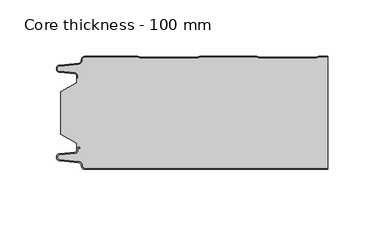
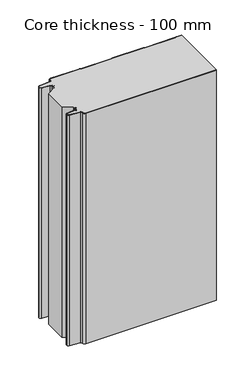
"""IFC4 building model written with IfcOpenShell, lengths in millimetres: plate geometry, Core thickness - 100 mm."""

from ifc_helpers import new_model, si_unit, frame, origin, place, context, project, spatial, polyline, circle_curve, source, transform, mapped, element, save
from ifc_brep_helpers import plane_surface, cylinder_surface, revolved_surface, advanced_brep


def core_thickness_100_mm_2e3aa029(model_context):
    return source(origin(), model_context, "Body", "AdvancedBrep", [
        advanced_brep(
        [(-94.8000003, -99.9996949, 0.0), (-97.9923632, -96.5787437, 0.0), (-100.2560431, -93.9171154, 0.0), (-117.2115315, -92.2546153, 0.0), (-119.9999998, -89.1776715, 0.0), (-117.2115315, -86.1007278, 0.0), (-103.6195785, -84.7680252, 0.0), (-101.9952277, -82.9766159, 0.0), (-101.9952277, -81.8996949, 0.0), (-100.5952277, -80.4996949, 0.0), (-99.4952277, -80.4996949, 0.0), (-99.4952277, -81.2996949, 0.0), (-100.5952277, -81.2996949, 0.0), (-101.1952277, -81.8996949, 0.0), (-101.1952277, -82.9766159, 0.0), (-103.5415122, -85.5642071, 0.0), (-117.1334652, -86.8969097, 0.0), (-119.1999997, -89.1776715, 0.0), (-117.1334652, -91.4584333, 0.0), (-100.1779767, -93.1209335, 0.0), (-97.2078761, -96.6330399, 0.0), (-94.8000003, -99.1996949, 0.0), (119.9999998, -99.2, 0.0), (119.9999998, -99.9996949, 0.0), (-94.8000003, -99.1996949, 400.0), (-97.1942724, -96.6339815, 400.0), (-100.1779767, -93.1209335, 400.0), (-117.1334652, -91.4584333, 400.0), (-119.1999997, -89.1776715, 400.0), (-117.1334652, -86.8969097, 400.0), (-103.5415122, -85.5642071, 400.0), (-101.1952277, -82.9766159, 400.0), (-101.1952277, -81.8996949, 400.0), (-100.5952277, -81.2996949, 400.0), (-99.4952277, -81.2996949, 400.0), (-99.4952277, -80.4996949, 400.0), (-100.5952277, -80.4996949, 400.0), (-101.9952277, -81.8996949, 400.0), (-101.9952277, -82.9766159, 400.0), (-103.6195785, -84.7680252, 400.0), (-117.2115315, -86.1007278, 400.0), (-119.9999998, -89.1776715, 400.0), (-117.2115315, -92.2546153, 400.0), (-100.2560431, -93.9171154, 400.0), (-98.0059668, -96.5778021, 400.0), (-94.8000003, -99.9996949, 400.0), (119.9999998, -99.9996949, 400.0), (119.9999998, -99.2, 400.0)],
        [
            (0, 1, circle_curve(frame((-94.8000003, -96.7996949, 0.0), z_axis=(0.0, 0.0, -1.0), x_axis=(1.0, 0.0, 0.0)), 3.2)),
            (1, 2, circle_curve(frame((-100.5000003, -96.4051839, 0.0), z_axis=(0.0, 0.0, 1.0), x_axis=(1.0, 0.0, 0.0)), 2.5)),
            (2, 3),
            (3, 4, circle_curve(frame((-116.9100003, -89.1793626, 0.0), z_axis=(0.0, 0.0, -1.0), x_axis=(1.0, 0.0, 0.0)), 3.09)),
            (4, 5, circle_curve(frame((-116.9100003, -89.1759805, 0.0), z_axis=(0.0, 0.0, -1.0), x_axis=(1.0, 0.0, 0.0)), 3.09)),
            (5, 6),
            (6, 7, circle_curve(frame((-103.7952277, -82.9766159, 0.0), z_axis=(0.0, 0.0, 1.0), x_axis=(1.0, 0.0, 0.0)), 1.8)),
            (7, 8),
            (8, 9, circle_curve(frame((-100.5952277, -81.8996949, 0.0), z_axis=(0.0, 0.0, -1.0), x_axis=(1.0, 0.0, 0.0)), 1.4)),
            (9, 10),
            (10, 11),
            (11, 12),
            (12, 13, circle_curve(frame((-100.5952277, -81.8996949, 0.0), z_axis=(0.0, 0.0, 1.0), x_axis=(1.0, 0.0, 0.0)), 0.6)),
            (13, 14),
            (14, 15, circle_curve(frame((-103.7952277, -82.9766159, 0.0), z_axis=(0.0, 0.0, -1.0), x_axis=(1.0, 0.0, 0.0)), 2.6)),
            (15, 16),
            (16, 17, circle_curve(frame((-116.9100003, -89.1759805, 0.0), z_axis=(0.0, 0.0, 1.0), x_axis=(1.0, 0.0, 0.0)), 2.29)),
            (17, 18, circle_curve(frame((-116.9100003, -89.1793626, 0.0), z_axis=(0.0, 0.0, 1.0), x_axis=(1.0, 0.0, 0.0)), 2.29)),
            (18, 19),
            (19, 20, circle_curve(frame((-100.5000003, -96.4051839, 0.0), z_axis=(0.0, 0.0, -1.0), x_axis=(1.0, 0.0, 0.0)), 3.3)),
            (20, 21, circle_curve(frame((-94.8000003, -96.7996949, 0.0), z_axis=(0.0, 0.0, 1.0), x_axis=(1.0, 0.0, 0.0)), 2.4)),
            (21, 22),
            (22, 23),
            (23, 0),
            (24, 25, circle_curve(frame((-94.8000003, -96.7996949, 400.0), z_axis=(0.0, 0.0, -1.0), x_axis=(1.0, 0.0, 0.0)), 2.4)),
            (25, 26, circle_curve(frame((-100.5000003, -96.4051839, 400.0), z_axis=(0.0, 0.0, 1.0), x_axis=(1.0, 0.0, 0.0)), 3.3)),
            (26, 27),
            (27, 28, circle_curve(frame((-116.9100003, -89.1793626, 400.0), z_axis=(0.0, 0.0, -1.0), x_axis=(1.0, 0.0, 0.0)), 2.29)),
            (28, 29, circle_curve(frame((-116.9100003, -89.1759805, 400.0), z_axis=(0.0, 0.0, -1.0), x_axis=(1.0, 0.0, 0.0)), 2.29)),
            (29, 30),
            (30, 31, circle_curve(frame((-103.7952277, -82.9766159, 400.0), z_axis=(0.0, 0.0, 1.0), x_axis=(1.0, 0.0, 0.0)), 2.6)),
            (31, 32),
            (32, 33, circle_curve(frame((-100.5952277, -81.8996949, 400.0), z_axis=(0.0, 0.0, -1.0), x_axis=(1.0, 0.0, 0.0)), 0.6)),
            (33, 34),
            (34, 35),
            (35, 36),
            (36, 37, circle_curve(frame((-100.5952277, -81.8996949, 400.0), z_axis=(0.0, 0.0, 1.0), x_axis=(1.0, 0.0, 0.0)), 1.4)),
            (37, 38),
            (38, 39, circle_curve(frame((-103.7952277, -82.9766159, 400.0), z_axis=(0.0, 0.0, -1.0), x_axis=(1.0, 0.0, 0.0)), 1.8)),
            (39, 40),
            (40, 41, circle_curve(frame((-116.9100003, -89.1759805, 400.0), z_axis=(0.0, 0.0, 1.0), x_axis=(1.0, 0.0, 0.0)), 3.09)),
            (41, 42, circle_curve(frame((-116.9100003, -89.1793626, 400.0), z_axis=(0.0, 0.0, 1.0), x_axis=(1.0, 0.0, 0.0)), 3.09)),
            (42, 43),
            (43, 44, circle_curve(frame((-100.5000003, -96.4051839, 400.0), z_axis=(0.0, 0.0, -1.0), x_axis=(1.0, 0.0, 0.0)), 2.5)),
            (44, 45, circle_curve(frame((-94.8000003, -96.7996949, 400.0), z_axis=(0.0, 0.0, 1.0), x_axis=(1.0, 0.0, 0.0)), 3.2)),
            (45, 46),
            (46, 47),
            (47, 24),
            (21, 24),
            (47, 22),
            (20, 25),
            (19, 26),
            (18, 27),
            (17, 28),
            (16, 29),
            (15, 30),
            (14, 31),
            (13, 32),
            (12, 33),
            (11, 34),
            (10, 35),
            (9, 36),
            (8, 37),
            (7, 38),
            (6, 39),
            (5, 40),
            (4, 41),
            (3, 42),
            (2, 43),
            (1, 44),
            (0, 45),
            (23, 46),
        ],
        [
            plane_surface(frame((-119.9999998, -100.0, 0.0), z_axis=(0.0, 0.0, -1.0), x_axis=(0.0, 1.0, 0.0))),
            plane_surface(frame((-119.9999998, -100.0, 400.0), z_axis=(0.0, 0.0, 1.0), x_axis=(0.0, 1.0, 0.0))),
            plane_surface(frame((-94.8000003, -99.2, 0.0), z_axis=(0.0, 1.0, 0.0), x_axis=(0.0, 0.0, 1.0))),
            revolved_surface(polyline([(-92.40000029999999, -96.7996949, 400.0), (-92.40000029999999, -96.7996949, 0.0)]), (-94.8000003, -96.7996949, 0.0), (0.0, 0.0, 1.0)),
            cylinder_surface(frame((-100.5000003, -96.4051839, 0.0), z_axis=(0.0, 0.0, -1.0), x_axis=(1.0, 0.0, 0.0)), 3.3),
            plane_surface(frame((-117.1334652, -91.4584333, 0.0), z_axis=(0.09758289975914758, 0.9952273999818314, 0.0), x_axis=(0.0, 0.0, 1.0))),
            revolved_surface(polyline([(-114.62000029999999, -89.1793626, 400.0), (-114.62000029999999, -89.1793626, 0.0)]), (-116.9100003, -89.1793626, 0.0), (0.0, 0.0, 1.0)),
            revolved_surface(polyline([(-114.62000029999999, -89.1759805, 400.0), (-114.62000029999999, -89.1759805, 0.0)]), (-116.9100003, -89.1759805, 0.0), (0.0, 0.0, 1.0)),
            plane_surface(frame((-103.5415122, -85.5642071, 0.0), z_axis=(0.09758289975914383, -0.9952273999818317, 0.0), x_axis=(0.0, 0.0, 1.0))),
            cylinder_surface(frame((-103.7952277, -82.9766159, 0.0), z_axis=(0.0, 0.0, -1.0), x_axis=(1.0, 0.0, 0.0)), 2.6),
            plane_surface(frame((-101.1952277, -81.8996949, 0.0), z_axis=(1.0, 0.0, 0.0), x_axis=(0.0, 0.0, 1.0))),
            revolved_surface(polyline([(-99.9952277, -81.8996949, 400.0), (-99.9952277, -81.8996949, 0.0)]), (-100.5952277, -81.8996949, 0.0), (0.0, 0.0, 1.0)),
            plane_surface(frame((-99.4952277, -81.2996949, 0.0), z_axis=(0.0, -1.0, 0.0), x_axis=(0.0, 0.0, 1.0))),
            plane_surface(frame((-99.4952277, -80.4996949, 0.0), z_axis=(1.0, 0.0, 0.0), x_axis=(0.0, 0.0, 1.0))),
            plane_surface(frame((-100.5952277, -80.4996949, 0.0), z_axis=(0.0, 1.0, 0.0), x_axis=(0.0, 0.0, 1.0))),
            cylinder_surface(frame((-100.5952277, -81.8996949, 0.0), z_axis=(0.0, 0.0, -1.0), x_axis=(1.0, 0.0, 0.0)), 1.4),
            plane_surface(frame((-101.9952277, -82.9766159, 0.0), z_axis=(-1.0, 0.0, 0.0), x_axis=(0.0, 0.0, 1.0))),
            revolved_surface(polyline([(-101.9952277, -82.9766159, 400.0), (-101.9952277, -82.9766159, 0.0)]), (-103.7952277, -82.9766159, 0.0), (0.0, 0.0, 1.0)),
            plane_surface(frame((-117.2115315, -86.1007278, 0.0), z_axis=(-0.09758289975914387, 0.9952273999818317, 0.0), x_axis=(0.0, 0.0, 1.0))),
            cylinder_surface(frame((-116.9100003, -89.1759805, 0.0), z_axis=(0.0, 0.0, -1.0), x_axis=(1.0, 0.0, 0.0)), 3.09),
            cylinder_surface(frame((-116.9100003, -89.1793626, 0.0), z_axis=(0.0, 0.0, -1.0), x_axis=(1.0, 0.0, 0.0)), 3.09),
            plane_surface(frame((-100.2560431, -93.9171154, 0.0), z_axis=(-0.09758289975914762, -0.9952273999818314, 0.0), x_axis=(0.0, 0.0, 1.0))),
            revolved_surface(polyline([(-98.0000003, -96.4051839, 400.0), (-98.0000003, -96.4051839, 0.0)]), (-100.5000003, -96.4051839, 0.0), (0.0, 0.0, 1.0)),
            cylinder_surface(frame((-94.8000003, -96.7996949, 0.0), z_axis=(0.0, 0.0, -1.0), x_axis=(1.0, 0.0, 0.0)), 3.2),
            plane_surface(frame((896.009932, -99.9996949, 0.0), z_axis=(0.0, -1.0, 0.0), x_axis=(0.0, 0.0, 1.0))),
            plane_surface(frame((119.9999998, 180.0, 400.0), z_axis=(1.0, 0.0, 0.0), x_axis=(0.0, 0.0, -1.0))),
        ],
        [
            (0, [[1, 2, 3, 4, 5, 6, 7, 8, 9, 10, 11, 12, 13, 14, 15, 16, 17, 18, 19, 20, 21, 22, 23, 24]]),
            (1, [[25, 26, 27, 28, 29, 30, 31, 32, 33, 34, 35, 36, 37, 38, 39, 40, 41, 42, 43, 44, 45, 46, 47, 48]]),
            (2, [[49, -48, 50, -22]]),
            (3, [[-21, 51, -25, -49]]),
            (4, [[-20, 52, -26, -51]]),
            (5, [[-19, 53, -27, -52]]),
            (6, [[-18, 54, -28, -53]]),
            (7, [[-17, 55, -29, -54]]),
            (8, [[-16, 56, -30, -55]]),
            (9, [[-15, 57, -31, -56]]),
            (10, [[-14, 58, -32, -57]]),
            (11, [[-13, 59, -33, -58]]),
            (12, [[-12, 60, -34, -59]]),
            (13, [[-11, 61, -35, -60]]),
            (14, [[-10, 62, -36, -61]]),
            (15, [[-9, 63, -37, -62]]),
            (16, [[-8, 64, -38, -63]]),
            (17, [[-7, 65, -39, -64]]),
            (18, [[-6, 66, -40, -65]]),
            (19, [[-5, 67, -41, -66]]),
            (20, [[-4, 68, -42, -67]]),
            (21, [[-3, 69, -43, -68]]),
            (22, [[-2, 70, -44, -69]]),
            (23, [[-1, 71, -45, -70]]),
            (24, [[-71, -24, 72, -46]]),
            (25, [[-23, -50, -47, -72]]),
        ],
    ),
        advanced_brep(
        [(-101.9952277, -23.1062917, 400.0), (-116.0446509, -31.1628062, 400.0), (-116.0446509, -68.7531937, 400.0), (-101.9952277, -76.8937083, 400.0), (-101.9952277, -80.4996949, 400.0), (-101.9952277, -81.8996949, 400.0), (-100.5952277, -80.4996949, 400.0), (-99.4952277, -80.4996949, 400.0), (-99.4952277, -81.2996949, 400.0), (-100.5952277, -81.2996949, 400.0), (-101.1952277, -81.8996949, 400.0), (-101.1952277, -82.9766159, 400.0), (-103.5415122, -85.5642071, 400.0), (-117.1334652, -86.8969097, 400.0), (-119.1999997, -89.1776715, 400.0), (-117.1334652, -91.4584333, 400.0), (-100.1779767, -93.1209335, 400.0), (-97.2078761, -96.6330399, 400.0), (-94.8000003, -99.1996949, 400.0), (119.9999998, -99.2, 400.0), (119.9999998, -0.8, 400.0), (112.3119565, -0.8, 400.0), (111.2605406, -1.0986697, 400.0), (109.8401597, -1.5003051, 400.0), (59.6803765, -1.5003051, 400.0), (58.2609651, -1.0971009, 400.0), (57.2085797, -0.8, 400.0), (7.0487965, -0.8, 400.0), (5.9973806, -1.0986697, 400.0), (4.5769997, -1.5003051, 400.0), (-45.5827835, -1.5003051, 400.0), (-47.0021949, -1.0971009, 400.0), (-48.0545803, -0.8, 400.0), (-94.8000003, -0.8, 400.0), (-97.1942724, -3.3660185, 400.0), (-100.1779767, -6.8790665, 400.0), (-117.1334652, -8.5415667, 400.0), (-119.1999997, -10.8223285, 400.0), (-117.1334652, -13.1030903, 400.0), (-103.5415122, -14.4357929, 400.0), (-101.1952277, -17.0233841, 400.0), (-101.1952277, -18.1003051, 400.0), (-100.5952277, -18.7003051, 400.0), (-99.4952277, -18.7003051, 400.0), (-99.4952277, -19.5003051, 400.0), (-100.5952277, -19.5003051, 400.0), (-101.9952277, -18.1003051, 400.0), (-101.9952277, -19.5003051, 400.0), (-101.9952277, -76.8937083, 0.0), (-116.0446509, -68.7531937, 0.0), (-116.0446509, -31.1628062, 0.0), (-101.9952277, -23.1062917, 0.0), (-101.9952277, -19.5003051, 0.0), (-101.9952277, -18.1003051, 0.0), (-100.5952277, -19.5003051, 0.0), (-99.4952277, -19.5003051, 0.0), (-99.4952277, -18.7003051, 0.0), (-100.5952277, -18.7003051, 0.0), (-101.1952277, -18.1003051, 0.0), (-101.1952277, -17.0233841, 0.0), (-103.5415122, -14.4357929, 0.0), (-117.1334652, -13.1030903, 0.0), (-119.1999997, -10.8223285, 0.0), (-117.1334652, -8.5415667, 0.0), (-100.1779767, -6.8790665, 0.0), (-97.2078761, -3.3669601, 0.0), (-94.8000003, -0.8003051, 0.0), (-48.0545803, -0.8, 0.0), (-47.0031645, -1.0986697, 0.0), (-45.5827835, -1.5003051, 0.0), (4.5769997, -1.5003051, 0.0), (5.9964111, -1.0971009, 0.0), (7.0487965, -0.8, 0.0), (57.2085797, -0.8, 0.0), (58.2599955, -1.0986697, 0.0), (59.6803765, -1.5003051, 0.0), (109.8401597, -1.5003051, 0.0), (111.2595711, -1.0971009, 0.0), (112.3119565, -0.8, 0.0), (119.9999998, -0.8, 0.0), (119.9999998, -99.2, 0.0), (-94.8000003, -99.2, 0.0), (-97.1942724, -96.6339815, 0.0), (-100.1779767, -93.1209335, 0.0), (-117.1334652, -91.4584333, 0.0), (-119.1999997, -89.1776715, 0.0), (-117.1334652, -86.8969097, 0.0), (-103.5415122, -85.5642071, 0.0), (-101.1952277, -82.9766159, 0.0), (-101.1952277, -81.8996949, 0.0), (-100.5952277, -81.2996949, 0.0), (-99.4952277, -81.2996949, 0.0), (-99.4952277, -80.4996949, 0.0), (-100.5952277, -80.4996949, 0.0), (-101.9952277, -81.8996949, 0.0), (-101.9952277, -80.4996949, 0.0)],
        [
            (0, 1),
            (1, 2),
            (2, 3),
            (3, 4),
            (4, 5),
            (5, 6, circle_curve(frame((-100.5952277, -81.8996949, 400.0), z_axis=(0.0, 0.0, -1.0), x_axis=(1.0, 0.0, 0.0)), 1.4)),
            (6, 7),
            (7, 8),
            (8, 9),
            (9, 10, circle_curve(frame((-100.5952277, -81.8996949, 400.0), z_axis=(0.0, 0.0, 1.0), x_axis=(1.0, 0.0, 0.0)), 0.6)),
            (10, 11),
            (11, 12, circle_curve(frame((-103.7952277, -82.9766159, 400.0), z_axis=(0.0, 0.0, -1.0), x_axis=(1.0, 0.0, 0.0)), 2.6)),
            (12, 13),
            (13, 14, circle_curve(frame((-116.9100003, -89.1759805, 400.0), z_axis=(0.0, 0.0, 1.0), x_axis=(1.0, 0.0, 0.0)), 2.29)),
            (14, 15, circle_curve(frame((-116.9100003, -89.1793626, 400.0), z_axis=(0.0, 0.0, 1.0), x_axis=(1.0, 0.0, 0.0)), 2.29)),
            (15, 16),
            (16, 17, circle_curve(frame((-100.5000003, -96.4051839, 400.0), z_axis=(0.0, 0.0, -1.0), x_axis=(1.0, 0.0, 0.0)), 3.3)),
            (17, 18, circle_curve(frame((-94.8000003, -96.7996949, 400.0), z_axis=(0.0, 0.0, 1.0), x_axis=(1.0, 0.0, 0.0)), 2.4)),
            (18, 19),
            (19, 20),
            (20, 21),
            (21, 22, circle_curve(frame((112.3119565, -2.8, 400.0), z_axis=(0.0, 0.0, 1.0), x_axis=(1.0, 0.0, 0.0)), 2.0)),
            (22, 23, circle_curve(frame((109.8401597, 1.1996949, 400.0), z_axis=(0.0, 0.0, -1.0), x_axis=(1.0, 0.0, 0.0)), 2.7)),
            (23, 24),
            (24, 25, circle_curve(frame((59.6803765, 1.1996949, 400.0), z_axis=(0.0, 0.0, -1.0), x_axis=(1.0, 0.0, 0.0)), 2.7)),
            (25, 26, circle_curve(frame((57.2085797, -2.8, 400.0), z_axis=(0.0, 0.0, 1.0), x_axis=(1.0, 0.0, 0.0)), 2.0)),
            (26, 27),
            (27, 28, circle_curve(frame((7.0487965, -2.8, 400.0), z_axis=(0.0, 0.0, 1.0), x_axis=(1.0, 0.0, 0.0)), 2.0)),
            (28, 29, circle_curve(frame((4.5769997, 1.1996949, 400.0), z_axis=(0.0, 0.0, -1.0), x_axis=(1.0, 0.0, 0.0)), 2.7)),
            (29, 30),
            (30, 31, circle_curve(frame((-45.5827835, 1.1996949, 400.0), z_axis=(0.0, 0.0, -1.0), x_axis=(1.0, 0.0, 0.0)), 2.7)),
            (31, 32, circle_curve(frame((-48.0545803, -2.8, 400.0), z_axis=(0.0, 0.0, 1.0), x_axis=(1.0, 0.0, 0.0)), 2.0)),
            (32, 33),
            (33, 34, circle_curve(frame((-94.8000003, -3.2003051, 400.0), z_axis=(0.0, 0.0, 1.0), x_axis=(1.0, 0.0, 0.0)), 2.4)),
            (34, 35, circle_curve(frame((-100.5000003, -3.5948161, 400.0), z_axis=(0.0, 0.0, -1.0), x_axis=(1.0, 0.0, 0.0)), 3.3)),
            (35, 36),
            (36, 37, circle_curve(frame((-116.9100003, -10.8206374, 400.0), z_axis=(0.0, 0.0, 1.0), x_axis=(1.0, 0.0, 0.0)), 2.29)),
            (37, 38, circle_curve(frame((-116.9100003, -10.8240195, 400.0), z_axis=(0.0, 0.0, 1.0), x_axis=(1.0, 0.0, 0.0)), 2.29)),
            (38, 39),
            (39, 40, circle_curve(frame((-103.7952277, -17.0233841, 400.0), z_axis=(0.0, 0.0, -1.0), x_axis=(1.0, 0.0, 0.0)), 2.6)),
            (40, 41),
            (41, 42, circle_curve(frame((-100.5952277, -18.1003051, 400.0), z_axis=(0.0, 0.0, 1.0), x_axis=(1.0, 0.0, 0.0)), 0.6)),
            (42, 43),
            (43, 44),
            (44, 45),
            (45, 46, circle_curve(frame((-100.5952277, -18.1003051, 400.0), z_axis=(0.0, 0.0, -1.0), x_axis=(1.0, 0.0, 0.0)), 1.4)),
            (46, 47),
            (47, 0),
            (48, 49),
            (49, 50),
            (50, 51),
            (51, 52),
            (52, 53),
            (53, 54, circle_curve(frame((-100.5952277, -18.1003051, 0.0), z_axis=(0.0, 0.0, 1.0), x_axis=(1.0, 0.0, 0.0)), 1.4)),
            (54, 55),
            (55, 56),
            (56, 57),
            (57, 58, circle_curve(frame((-100.5952277, -18.1003051, 0.0), z_axis=(0.0, 0.0, -1.0), x_axis=(1.0, 0.0, 0.0)), 0.6)),
            (58, 59),
            (59, 60, circle_curve(frame((-103.7952277, -17.0233841, 0.0), z_axis=(0.0, 0.0, 1.0), x_axis=(1.0, 0.0, 0.0)), 2.6)),
            (60, 61),
            (61, 62, circle_curve(frame((-116.9100003, -10.8240195, 0.0), z_axis=(0.0, 0.0, -1.0), x_axis=(1.0, 0.0, 0.0)), 2.29)),
            (62, 63, circle_curve(frame((-116.9100003, -10.8206374, 0.0), z_axis=(0.0, 0.0, -1.0), x_axis=(1.0, 0.0, 0.0)), 2.29)),
            (63, 64),
            (64, 65, circle_curve(frame((-100.5000003, -3.5948161, 0.0), z_axis=(0.0, 0.0, 1.0), x_axis=(1.0, 0.0, 0.0)), 3.3)),
            (65, 66, circle_curve(frame((-94.8000003, -3.2003051, 0.0), z_axis=(0.0, 0.0, -1.0), x_axis=(1.0, 0.0, 0.0)), 2.4)),
            (66, 67),
            (67, 68, circle_curve(frame((-48.0545803, -2.8, 0.0), z_axis=(0.0, 0.0, -1.0), x_axis=(1.0, 0.0, 0.0)), 2.0)),
            (68, 69, circle_curve(frame((-45.5827835, 1.1996949, 0.0), z_axis=(0.0, 0.0, 1.0), x_axis=(1.0, 0.0, 0.0)), 2.7)),
            (69, 70),
            (70, 71, circle_curve(frame((4.5769997, 1.1996949, 0.0), z_axis=(0.0, 0.0, 1.0), x_axis=(1.0, 0.0, 0.0)), 2.7)),
            (71, 72, circle_curve(frame((7.0487965, -2.8, 0.0), z_axis=(0.0, 0.0, -1.0), x_axis=(1.0, 0.0, 0.0)), 2.0)),
            (72, 73),
            (73, 74, circle_curve(frame((57.2085797, -2.8, 0.0), z_axis=(0.0, 0.0, -1.0), x_axis=(1.0, 0.0, 0.0)), 2.0)),
            (74, 75, circle_curve(frame((59.6803765, 1.1996949, 0.0), z_axis=(0.0, 0.0, 1.0), x_axis=(1.0, 0.0, 0.0)), 2.7)),
            (75, 76),
            (76, 77, circle_curve(frame((109.8401597, 1.1996949, 0.0), z_axis=(0.0, 0.0, 1.0), x_axis=(1.0, 0.0, 0.0)), 2.7)),
            (77, 78, circle_curve(frame((112.3119565, -2.8, 0.0), z_axis=(0.0, 0.0, -1.0), x_axis=(1.0, 0.0, 0.0)), 2.0)),
            (78, 79),
            (79, 80),
            (80, 81),
            (81, 82, circle_curve(frame((-94.8000003, -96.7996949, 0.0), z_axis=(0.0, 0.0, -1.0), x_axis=(1.0, 0.0, 0.0)), 2.4)),
            (82, 83, circle_curve(frame((-100.5000003, -96.4051839, 0.0), z_axis=(0.0, 0.0, 1.0), x_axis=(1.0, 0.0, 0.0)), 3.3)),
            (83, 84),
            (84, 85, circle_curve(frame((-116.9100003, -89.1793626, 0.0), z_axis=(0.0, 0.0, -1.0), x_axis=(1.0, 0.0, 0.0)), 2.29)),
            (85, 86, circle_curve(frame((-116.9100003, -89.1759805, 0.0), z_axis=(0.0, 0.0, -1.0), x_axis=(1.0, 0.0, 0.0)), 2.29)),
            (86, 87),
            (87, 88, circle_curve(frame((-103.7952277, -82.9766159, 0.0), z_axis=(0.0, 0.0, 1.0), x_axis=(1.0, 0.0, 0.0)), 2.6)),
            (88, 89),
            (89, 90, circle_curve(frame((-100.5952277, -81.8996949, 0.0), z_axis=(0.0, 0.0, -1.0), x_axis=(1.0, 0.0, 0.0)), 0.6)),
            (90, 91),
            (91, 92),
            (92, 93),
            (93, 94, circle_curve(frame((-100.5952277, -81.8996949, 0.0), z_axis=(0.0, 0.0, 1.0), x_axis=(1.0, 0.0, 0.0)), 1.4)),
            (94, 95),
            (95, 48),
            (51, 0),
            (46, 53),
            (1, 50),
            (49, 2),
            (48, 3),
            (94, 5),
            (18, 81),
            (80, 19),
            (17, 82),
            (16, 83),
            (15, 84),
            (14, 85),
            (13, 86),
            (12, 87),
            (11, 88),
            (10, 89),
            (9, 90),
            (8, 91),
            (7, 92),
            (6, 93),
            (66, 33),
            (32, 67),
            (31, 68),
            (30, 69),
            (29, 70),
            (28, 71),
            (27, 72),
            (26, 73),
            (25, 74),
            (24, 75),
            (23, 76),
            (22, 77),
            (21, 78),
            (20, 79),
            (45, 54),
            (44, 55),
            (43, 56),
            (42, 57),
            (41, 58),
            (40, 59),
            (39, 60),
            (38, 61),
            (37, 62),
            (36, 63),
            (35, 64),
            (34, 65),
        ],
        [
            plane_surface(frame((-119.9999998, 0.0, 400.0), z_axis=(0.0, 0.0, 1.0), x_axis=(0.0, -1.0, 0.0))),
            plane_surface(frame((-119.9999998, 0.0, 0.0), z_axis=(0.0, 0.0, -1.0), x_axis=(0.0, -1.0, 0.0))),
            plane_surface(frame((-101.9952277, -17.0229218, 400.0), z_axis=(-1.0, 0.0, 0.0), x_axis=(0.0, 0.0, -1.0))),
            plane_surface(frame((-116.0446509, -31.1628062, 400.0), z_axis=(-1.0, 0.0, 0.0), x_axis=(0.0, 0.0, -1.0))),
            plane_surface(frame((-101.9952277, -23.1062917, 400.0), z_axis=(-0.4974543664933155, 0.8674901459133322, 0.0), x_axis=(0.0, 0.0, -1.0))),
            plane_surface(frame((-116.0446509, -68.7531937, 400.0), z_axis=(-0.5013424225369604, -0.8652489672717166, 0.0), x_axis=(0.0, 0.0, -1.0))),
            plane_surface(frame((-101.9952277, -76.8937083, 400.0), z_axis=(-1.0, 0.0, 0.0), x_axis=(0.0, 0.0, -1.0))),
            plane_surface(frame((896.009932, -99.2, 530.0), z_axis=(0.0, -1.0, 0.0), x_axis=(0.0, 0.0, -1.0))),
            cylinder_surface(frame((-94.8000003, -96.7996949, 530.0), z_axis=(0.0, 0.0, -1.0), x_axis=(1.0, 0.0, 0.0)), 2.4),
            revolved_surface(polyline([(-97.2000003, -96.4051839, 400.0), (-97.2000003, -96.4051839, 0.0)]), (-100.5000003, -96.4051839, 530.0), (0.0, 0.0, 1.0)),
            plane_surface(frame((-100.1779767, -93.1209335, 530.0), z_axis=(-0.09758289975914758, -0.9952273999818314, 0.0), x_axis=(0.0, 0.0, -1.0))),
            cylinder_surface(frame((-116.9100003, -89.1793626, 530.0), z_axis=(0.0, 0.0, -1.0), x_axis=(1.0, 0.0, 0.0)), 2.29),
            cylinder_surface(frame((-116.9100003, -89.1759805, 530.0), z_axis=(0.0, 0.0, -1.0), x_axis=(1.0, 0.0, 0.0)), 2.29),
            plane_surface(frame((-117.1334652, -86.8969097, 530.0), z_axis=(-0.09758289975914383, 0.9952273999818317, 0.0), x_axis=(0.0, 0.0, -1.0))),
            revolved_surface(polyline([(-101.1952277, -82.9766159, 400.0), (-101.1952277, -82.9766159, 0.0)]), (-103.7952277, -82.9766159, 530.0), (0.0, 0.0, 1.0)),
            plane_surface(frame((-101.1952277, -82.9766159, 530.0), z_axis=(-1.0, 0.0, 0.0), x_axis=(0.0, 0.0, -1.0))),
            cylinder_surface(frame((-100.5952277, -81.8996949, 530.0), z_axis=(0.0, 0.0, -1.0), x_axis=(1.0, 0.0, 0.0)), 0.6),
            plane_surface(frame((-100.5952277, -81.2996949, 530.0), z_axis=(0.0, 1.0, 0.0), x_axis=(0.0, 0.0, -1.0))),
            plane_surface(frame((-99.4952277, -81.2996949, 530.0), z_axis=(-1.0, 0.0, 0.0), x_axis=(0.0, 0.0, -1.0))),
            plane_surface(frame((-99.4952277, -80.4996949, 530.0), z_axis=(0.0, -1.0, 0.0), x_axis=(0.0, 0.0, -1.0))),
            revolved_surface(polyline([(-99.19522769999999, -81.8996949, 400.0), (-99.19522769999999, -81.8996949, 0.0)]), (-100.5952277, -81.8996949, 530.0), (0.0, 0.0, 1.0)),
            plane_surface(frame((-94.8000003, -0.8, 530.0), z_axis=(0.0, 1.0, 0.0), x_axis=(0.0, 0.0, -1.0))),
            cylinder_surface(frame((-48.0545803, -2.8, 530.0), z_axis=(0.0, 0.0, -1.0), x_axis=(1.0, 0.0, 0.0)), 2.0),
            revolved_surface(polyline([(-42.882783499999995, 1.1996949, 400.0), (-42.882783499999995, 1.1996949, 0.0)]), (-45.5827835, 1.1996949, 530.0), (0.0, 0.0, 1.0)),
            plane_surface(frame((-45.5827835, -1.5003051, 530.0), z_axis=(0.0, 1.0, 0.0), x_axis=(0.0, 0.0, -1.0))),
            revolved_surface(polyline([(7.2769997, 1.1996949, 400.0), (7.2769997, 1.1996949, 0.0)]), (4.5769997, 1.1996949, 530.0), (0.0, 0.0, 1.0)),
            cylinder_surface(frame((7.0487965, -2.8, 530.0), z_axis=(0.0, 0.0, -1.0), x_axis=(1.0, 0.0, 0.0)), 2.0),
            plane_surface(frame((7.0487965, -0.8, 530.0), z_axis=(0.0, 1.0, 0.0), x_axis=(0.0, 0.0, -1.0))),
            cylinder_surface(frame((57.2085797, -2.8, 530.0), z_axis=(0.0, 0.0, -1.0), x_axis=(1.0, 0.0, 0.0)), 2.0),
            revolved_surface(polyline([(62.380376500000004, 1.1996949, 400.0), (62.380376500000004, 1.1996949, 0.0)]), (59.6803765, 1.1996949, 530.0), (0.0, 0.0, 1.0)),
            plane_surface(frame((59.6803765, -1.5003051, 530.0), z_axis=(0.0, 1.0, 0.0), x_axis=(0.0, 0.0, -1.0))),
            revolved_surface(polyline([(112.5401597, 1.1996949, 400.0), (112.5401597, 1.1996949, 0.0)]), (109.8401597, 1.1996949, 530.0), (0.0, 0.0, 1.0)),
            cylinder_surface(frame((112.3119565, -2.8, 530.0), z_axis=(0.0, 0.0, -1.0), x_axis=(1.0, 0.0, 0.0)), 2.0),
            plane_surface(frame((112.3119565, -0.8, 530.0), z_axis=(0.0, 1.0, 0.0), x_axis=(0.0, 0.0, -1.0))),
            revolved_surface(polyline([(-99.19522769999999, -18.1003051, 400.0), (-99.19522769999999, -18.1003051, 0.0)]), (-100.5952277, -18.1003051, 530.0), (0.0, 0.0, 1.0)),
            plane_surface(frame((-100.5952277, -19.5003051, 530.0), z_axis=(0.0, 1.0, 0.0), x_axis=(0.0, 0.0, -1.0))),
            plane_surface(frame((-99.4952277, -19.5003051, 530.0), z_axis=(-1.0, 0.0, 0.0), x_axis=(0.0, 0.0, -1.0))),
            plane_surface(frame((-99.4952277, -18.7003051, 530.0), z_axis=(0.0, -1.0, 0.0), x_axis=(0.0, 0.0, -1.0))),
            cylinder_surface(frame((-100.5952277, -18.1003051, 530.0), z_axis=(0.0, 0.0, -1.0), x_axis=(1.0, 0.0, 0.0)), 0.6),
            plane_surface(frame((-101.1952277, -18.1003051, 530.0), z_axis=(-1.0, 0.0, 0.0), x_axis=(0.0, 0.0, -1.0))),
            revolved_surface(polyline([(-101.1952277, -17.0233841, 400.0), (-101.1952277, -17.0233841, 0.0)]), (-103.7952277, -17.0233841, 530.0), (0.0, 0.0, 1.0)),
            plane_surface(frame((-103.5415122, -14.4357929, 530.0), z_axis=(-0.09758289975914705, -0.9952273999818314, 0.0), x_axis=(0.0, 0.0, -1.0))),
            cylinder_surface(frame((-116.9100003, -10.8240195, 530.0), z_axis=(0.0, 0.0, -1.0), x_axis=(1.0, 0.0, 0.0)), 2.29),
            cylinder_surface(frame((-116.9100003, -10.8206374, 530.0), z_axis=(0.0, 0.0, -1.0), x_axis=(1.0, 0.0, 0.0)), 2.29),
            plane_surface(frame((-117.1334652, -8.5415667, 530.0), z_axis=(-0.09758289975914436, 0.9952273999818317, 0.0), x_axis=(0.0, 0.0, -1.0))),
            revolved_surface(polyline([(-97.2000003, -3.5948161, 400.0), (-97.2000003, -3.5948161, 0.0)]), (-100.5000003, -3.5948161, 530.0), (0.0, 0.0, 1.0)),
            cylinder_surface(frame((-94.8000003, -3.2003051, 530.0), z_axis=(0.0, 0.0, -1.0), x_axis=(1.0, 0.0, 0.0)), 2.4),
            plane_surface(frame((119.9999998, 180.0, 400.0), z_axis=(1.0, 0.0, 0.0), x_axis=(0.0, 0.0, -1.0))),
        ],
        [
            (0, [[1, 2, 3, 4, 5, 6, 7, 8, 9, 10, 11, 12, 13, 14, 15, 16, 17, 18, 19, 20, 21, 22, 23, 24, 25, 26, 27, 28, 29, 30, 31, 32, 33, 34, 35, 36, 37, 38, 39, 40, 41, 42, 43, 44, 45, 46, 47, 48]]),
            (1, [[49, 50, 51, 52, 53, 54, 55, 56, 57, 58, 59, 60, 61, 62, 63, 64, 65, 66, 67, 68, 69, 70, 71, 72, 73, 74, 75, 76, 77, 78, 79, 80, 81, 82, 83, 84, 85, 86, 87, 88, 89, 90, 91, 92, 93, 94, 95, 96]]),
            (2, [[97, -48, -47, 98, -53, -52]]),
            (3, [[-2, 99, -50, 100]]),
            (4, [[-1, -97, -51, -99]]),
            (5, [[-3, -100, -49, 101]]),
            (6, [[-101, -96, -95, 102, -5, -4]]),
            (7, [[103, -81, 104, -19]]),
            (8, [[-103, -18, 105, -82]]),
            (9, [[-105, -17, 106, -83]]),
            (10, [[-106, -16, 107, -84]]),
            (11, [[-107, -15, 108, -85]]),
            (12, [[-108, -14, 109, -86]]),
            (13, [[-109, -13, 110, -87]]),
            (14, [[-110, -12, 111, -88]]),
            (15, [[-111, -11, 112, -89]]),
            (16, [[-112, -10, 113, -90]]),
            (17, [[-113, -9, 114, -91]]),
            (18, [[-114, -8, 115, -92]]),
            (19, [[-115, -7, 116, -93]]),
            (20, [[-116, -6, -102, -94]]),
            (21, [[117, -33, 118, -67]]),
            (22, [[-118, -32, 119, -68]]),
            (23, [[-119, -31, 120, -69]]),
            (24, [[-120, -30, 121, -70]]),
            (25, [[-121, -29, 122, -71]]),
            (26, [[-122, -28, 123, -72]]),
            (27, [[-123, -27, 124, -73]]),
            (28, [[-124, -26, 125, -74]]),
            (29, [[-125, -25, 126, -75]]),
            (30, [[-126, -24, 127, -76]]),
            (31, [[-127, -23, 128, -77]]),
            (32, [[-128, -22, 129, -78]]),
            (33, [[-129, -21, 130, -79]]),
            (34, [[131, -54, -98, -46]]),
            (35, [[-131, -45, 132, -55]]),
            (36, [[-132, -44, 133, -56]]),
            (37, [[-133, -43, 134, -57]]),
            (38, [[-134, -42, 135, -58]]),
            (39, [[-135, -41, 136, -59]]),
            (40, [[-136, -40, 137, -60]]),
            (41, [[-137, -39, 138, -61]]),
            (42, [[-138, -38, 139, -62]]),
            (43, [[-139, -37, 140, -63]]),
            (44, [[-140, -36, 141, -64]]),
            (45, [[-141, -35, 142, -65]]),
            (46, [[-117, -66, -142, -34]]),
            (47, [[-104, -80, -130, -20]]),
        ],
    ),
        advanced_brep(
        [(-47.0031645, -1.0986697, 0.0), (-48.0545803, -0.8, 0.0), (-94.8000003, -0.8, 0.0), (-97.1942724, -3.3660185, 0.0), (-100.1779767, -6.8790665, 0.0), (-117.1334652, -8.5415667, 0.0), (-119.1999997, -10.8223285, 0.0), (-117.1334652, -13.1030903, 0.0), (-103.5415122, -14.4357929, 0.0), (-101.1952277, -17.0233841, 0.0), (-101.1952277, -18.1003051, 0.0), (-100.5952277, -18.7003051, 0.0), (-99.4952277, -18.7003051, 0.0), (-99.4952277, -19.5003051, 0.0), (-100.5952277, -19.5003051, 0.0), (-101.9952277, -18.1003051, 0.0), (-101.9952277, -17.0233841, 0.0), (-103.6195785, -15.2319748, 0.0), (-117.2115315, -13.8992722, 0.0), (-119.9999998, -10.8223285, 0.0), (-117.2115315, -7.7453847, 0.0), (-100.2560431, -6.0828846, 0.0), (-98.0059668, -3.4221979, 0.0), (-94.8000003, -0.0003051, 0.0), (-48.0545803, -0.0003051, 0.0), (-46.6352472, -0.4034608, 0.0), (-45.5827835, -0.7003051, 0.0), (4.5769997, -0.7003051, 0.0), (5.6283575, -0.4016712, 0.0), (7.0487965, -0.0003051, 0.0), (57.2085797, -0.0003051, 0.0), (58.6279128, -0.4034608, 0.0), (59.6803765, -0.7003051, 0.0), (109.8401597, -0.7003051, 0.0), (110.8915175, -0.4016712, 0.0), (112.3119565, -0.0003051, 0.0), (119.9999998, -0.0003051, 0.0), (119.9999998, -0.8, 0.0), (112.3119565, -0.8, 0.0), (111.2605406, -1.0986697, 0.0), (109.8401597, -1.5003051, 0.0), (59.6803765, -1.5003051, 0.0), (58.2609651, -1.0971009, 0.0), (57.2085797, -0.8, 0.0), (7.0487965, -0.8, 0.0), (5.9973806, -1.0986697, 0.0), (4.5769997, -1.5003051, 0.0), (-45.5827835, -1.5003051, 0.0), (-47.0021949, -1.0971009, 400.0), (-45.5827835, -1.5003051, 400.0), (4.5769997, -1.5003051, 400.0), (5.9964111, -1.0971009, 400.0), (7.0487965, -0.8, 400.0), (57.2085797, -0.8, 400.0), (58.2599955, -1.0986697, 400.0), (59.6803765, -1.5003051, 400.0), (109.8401597, -1.5003051, 400.0), (111.2595711, -1.0971009, 400.0), (112.3119565, -0.8, 400.0), (119.9999998, -0.8, 400.0), (119.9999998, -0.0003051, 400.0), (112.3119565, -0.0003051, 400.0), (110.8926234, -0.4034608, 400.0), (109.8401597, -0.7003051, 400.0), (59.6803765, -0.7003051, 400.0), (58.6290186, -0.4016712, 400.0), (57.2085797, -0.0003051, 400.0), (7.0487965, -0.0003051, 400.0), (5.6294634, -0.4034608, 400.0), (4.5769997, -0.7003051, 400.0), (-45.5827835, -0.7003051, 400.0), (-46.6341414, -0.4016712, 400.0), (-48.0545803, -0.0003051, 400.0), (-94.8000003, -0.0003051, 400.0), (-97.9923632, -3.4212563, 400.0), (-100.2560431, -6.0828846, 400.0), (-117.2115315, -7.7453847, 400.0), (-119.9999998, -10.8223285, 400.0), (-117.2115315, -13.8992722, 400.0), (-103.6195785, -15.2319748, 400.0), (-101.9952277, -17.0233841, 400.0), (-101.9952277, -18.1003051, 400.0), (-100.5952277, -19.5003051, 400.0), (-99.4952277, -19.5003051, 400.0), (-99.4952277, -18.7003051, 400.0), (-100.5952277, -18.7003051, 400.0), (-101.1952277, -18.1003051, 400.0), (-101.1952277, -17.0233841, 400.0), (-103.5415122, -14.4357929, 400.0), (-117.1334652, -13.1030903, 400.0), (-119.1999997, -10.8223285, 400.0), (-117.1334652, -8.5415667, 400.0), (-100.1779767, -6.8790665, 400.0), (-97.2078761, -3.3669601, 400.0), (-94.8000003, -0.8003051, 400.0), (-48.0545803, -0.8, 400.0)],
        [
            (0, 1, circle_curve(frame((-48.0545803, -2.8, 0.0), z_axis=(0.0, 0.0, 1.0), x_axis=(1.0, 0.0, 0.0)), 2.0)),
            (1, 2),
            (2, 3, circle_curve(frame((-94.8000003, -3.2003051, 0.0), z_axis=(0.0, 0.0, 1.0), x_axis=(1.0, 0.0, 0.0)), 2.4)),
            (3, 4, circle_curve(frame((-100.5000003, -3.5948161, 0.0), z_axis=(0.0, 0.0, -1.0), x_axis=(1.0, 0.0, 0.0)), 3.3)),
            (4, 5),
            (5, 6, circle_curve(frame((-116.9100003, -10.8206374, 0.0), z_axis=(0.0, 0.0, 1.0), x_axis=(1.0, 0.0, 0.0)), 2.29)),
            (6, 7, circle_curve(frame((-116.9100003, -10.8240195, 0.0), z_axis=(0.0, 0.0, 1.0), x_axis=(1.0, 0.0, 0.0)), 2.29)),
            (7, 8),
            (8, 9, circle_curve(frame((-103.7952277, -17.0233841, 0.0), z_axis=(0.0, 0.0, -1.0), x_axis=(1.0, 0.0, 0.0)), 2.6)),
            (9, 10),
            (10, 11, circle_curve(frame((-100.5952277, -18.1003051, 0.0), z_axis=(0.0, 0.0, 1.0), x_axis=(1.0, 0.0, 0.0)), 0.6)),
            (11, 12),
            (12, 13),
            (13, 14),
            (14, 15, circle_curve(frame((-100.5952277, -18.1003051, 0.0), z_axis=(0.0, 0.0, -1.0), x_axis=(1.0, 0.0, 0.0)), 1.4)),
            (15, 16),
            (16, 17, circle_curve(frame((-103.7952277, -17.0233841, 0.0), z_axis=(0.0, 0.0, 1.0), x_axis=(1.0, 0.0, 0.0)), 1.8)),
            (17, 18),
            (18, 19, circle_curve(frame((-116.9100003, -10.8240195, 0.0), z_axis=(0.0, 0.0, -1.0), x_axis=(1.0, 0.0, 0.0)), 3.09)),
            (19, 20, circle_curve(frame((-116.9100003, -10.8206374, 0.0), z_axis=(0.0, 0.0, -1.0), x_axis=(1.0, 0.0, 0.0)), 3.09)),
            (20, 21),
            (21, 22, circle_curve(frame((-100.5000003, -3.5948161, 0.0), z_axis=(0.0, 0.0, 1.0), x_axis=(1.0, 0.0, 0.0)), 2.5)),
            (22, 23, circle_curve(frame((-94.8000003, -3.2003051, 0.0), z_axis=(0.0, 0.0, -1.0), x_axis=(1.0, 0.0, 0.0)), 3.2)),
            (23, 24),
            (24, 25, circle_curve(frame((-48.0545803, -2.7003051, 0.0), z_axis=(0.0, 0.0, -1.0), x_axis=(1.0, 0.0, 0.0)), 2.7)),
            (25, 26, circle_curve(frame((-45.5827835, 1.2996949, 0.0), z_axis=(0.0, 0.0, 1.0), x_axis=(1.0, 0.0, 0.0)), 2.0)),
            (26, 27),
            (27, 28, circle_curve(frame((4.5769997, 1.2996949, 0.0), z_axis=(0.0, 0.0, 1.0), x_axis=(1.0, 0.0, 0.0)), 2.0)),
            (28, 29, circle_curve(frame((7.0487965, -2.7003051, 0.0), z_axis=(0.0, 0.0, -1.0), x_axis=(1.0, 0.0, 0.0)), 2.7)),
            (29, 30),
            (30, 31, circle_curve(frame((57.2085797, -2.7003051, 0.0), z_axis=(0.0, 0.0, -1.0), x_axis=(1.0, 0.0, 0.0)), 2.7)),
            (31, 32, circle_curve(frame((59.6803765, 1.2996949, 0.0), z_axis=(0.0, 0.0, 1.0), x_axis=(1.0, 0.0, 0.0)), 2.0)),
            (32, 33),
            (33, 34, circle_curve(frame((109.8401597, 1.2996949, 0.0), z_axis=(0.0, 0.0, 1.0), x_axis=(1.0, 0.0, 0.0)), 2.0)),
            (34, 35, circle_curve(frame((112.3119565, -2.7003051, 0.0), z_axis=(0.0, 0.0, -1.0), x_axis=(1.0, 0.0, 0.0)), 2.7)),
            (35, 36),
            (36, 37),
            (37, 38),
            (38, 39, circle_curve(frame((112.3119565, -2.8, 0.0), z_axis=(0.0, 0.0, 1.0), x_axis=(1.0, 0.0, 0.0)), 2.0)),
            (39, 40, circle_curve(frame((109.8401597, 1.1996949, 0.0), z_axis=(0.0, 0.0, -1.0), x_axis=(1.0, 0.0, 0.0)), 2.7)),
            (40, 41),
            (41, 42, circle_curve(frame((59.6803765, 1.1996949, 0.0), z_axis=(0.0, 0.0, -1.0), x_axis=(1.0, 0.0, 0.0)), 2.7)),
            (42, 43, circle_curve(frame((57.2085797, -2.8, 0.0), z_axis=(0.0, 0.0, 1.0), x_axis=(1.0, 0.0, 0.0)), 2.0)),
            (43, 44),
            (44, 45, circle_curve(frame((7.0487965, -2.8, 0.0), z_axis=(0.0, 0.0, 1.0), x_axis=(1.0, 0.0, 0.0)), 2.0)),
            (45, 46, circle_curve(frame((4.5769997, 1.1996949, 0.0), z_axis=(0.0, 0.0, -1.0), x_axis=(1.0, 0.0, 0.0)), 2.7)),
            (46, 47),
            (47, 0, circle_curve(frame((-45.5827835, 1.1996949, 0.0), z_axis=(0.0, 0.0, -1.0), x_axis=(1.0, 0.0, 0.0)), 2.7)),
            (48, 49, circle_curve(frame((-45.5827835, 1.1996949, 400.0), z_axis=(0.0, 0.0, 1.0), x_axis=(1.0, 0.0, 0.0)), 2.7)),
            (49, 50),
            (50, 51, circle_curve(frame((4.5769997, 1.1996949, 400.0), z_axis=(0.0, 0.0, 1.0), x_axis=(1.0, 0.0, 0.0)), 2.7)),
            (51, 52, circle_curve(frame((7.0487965, -2.8, 400.0), z_axis=(0.0, 0.0, -1.0), x_axis=(1.0, 0.0, 0.0)), 2.0)),
            (52, 53),
            (53, 54, circle_curve(frame((57.2085797, -2.8, 400.0), z_axis=(0.0, 0.0, -1.0), x_axis=(1.0, 0.0, 0.0)), 2.0)),
            (54, 55, circle_curve(frame((59.6803765, 1.1996949, 400.0), z_axis=(0.0, 0.0, 1.0), x_axis=(1.0, 0.0, 0.0)), 2.7)),
            (55, 56),
            (56, 57, circle_curve(frame((109.8401597, 1.1996949, 400.0), z_axis=(0.0, 0.0, 1.0), x_axis=(1.0, 0.0, 0.0)), 2.7)),
            (57, 58, circle_curve(frame((112.3119565, -2.8, 400.0), z_axis=(0.0, 0.0, -1.0), x_axis=(1.0, 0.0, 0.0)), 2.0)),
            (58, 59),
            (59, 60),
            (60, 61),
            (61, 62, circle_curve(frame((112.3119565, -2.7003051, 400.0), z_axis=(0.0, 0.0, 1.0), x_axis=(1.0, 0.0, 0.0)), 2.7)),
            (62, 63, circle_curve(frame((109.8401597, 1.2996949, 400.0), z_axis=(0.0, 0.0, -1.0), x_axis=(1.0, 0.0, 0.0)), 2.0)),
            (63, 64),
            (64, 65, circle_curve(frame((59.6803765, 1.2996949, 400.0), z_axis=(0.0, 0.0, -1.0), x_axis=(1.0, 0.0, 0.0)), 2.0)),
            (65, 66, circle_curve(frame((57.2085797, -2.7003051, 400.0), z_axis=(0.0, 0.0, 1.0), x_axis=(1.0, 0.0, 0.0)), 2.7)),
            (66, 67),
            (67, 68, circle_curve(frame((7.0487965, -2.7003051, 400.0), z_axis=(0.0, 0.0, 1.0), x_axis=(1.0, 0.0, 0.0)), 2.7)),
            (68, 69, circle_curve(frame((4.5769997, 1.2996949, 400.0), z_axis=(0.0, 0.0, -1.0), x_axis=(1.0, 0.0, 0.0)), 2.0)),
            (69, 70),
            (70, 71, circle_curve(frame((-45.5827835, 1.2996949, 400.0), z_axis=(0.0, 0.0, -1.0), x_axis=(1.0, 0.0, 0.0)), 2.0)),
            (71, 72, circle_curve(frame((-48.0545803, -2.7003051, 400.0), z_axis=(0.0, 0.0, 1.0), x_axis=(1.0, 0.0, 0.0)), 2.7)),
            (72, 73),
            (73, 74, circle_curve(frame((-94.8000003, -3.2003051, 400.0), z_axis=(0.0, 0.0, 1.0), x_axis=(1.0, 0.0, 0.0)), 3.2)),
            (74, 75, circle_curve(frame((-100.5000003, -3.5948161, 400.0), z_axis=(0.0, 0.0, -1.0), x_axis=(1.0, 0.0, 0.0)), 2.5)),
            (75, 76),
            (76, 77, circle_curve(frame((-116.9100003, -10.8206374, 400.0), z_axis=(0.0, 0.0, 1.0), x_axis=(1.0, 0.0, 0.0)), 3.09)),
            (77, 78, circle_curve(frame((-116.9100003, -10.8240195, 400.0), z_axis=(0.0, 0.0, 1.0), x_axis=(1.0, 0.0, 0.0)), 3.09)),
            (78, 79),
            (79, 80, circle_curve(frame((-103.7952277, -17.0233841, 400.0), z_axis=(0.0, 0.0, -1.0), x_axis=(1.0, 0.0, 0.0)), 1.8)),
            (80, 81),
            (81, 82, circle_curve(frame((-100.5952277, -18.1003051, 400.0), z_axis=(0.0, 0.0, 1.0), x_axis=(1.0, 0.0, 0.0)), 1.4)),
            (82, 83),
            (83, 84),
            (84, 85),
            (85, 86, circle_curve(frame((-100.5952277, -18.1003051, 400.0), z_axis=(0.0, 0.0, -1.0), x_axis=(1.0, 0.0, 0.0)), 0.6)),
            (86, 87),
            (87, 88, circle_curve(frame((-103.7952277, -17.0233841, 400.0), z_axis=(0.0, 0.0, 1.0), x_axis=(1.0, 0.0, 0.0)), 2.6)),
            (88, 89),
            (89, 90, circle_curve(frame((-116.9100003, -10.8240195, 400.0), z_axis=(0.0, 0.0, -1.0), x_axis=(1.0, 0.0, 0.0)), 2.29)),
            (90, 91, circle_curve(frame((-116.9100003, -10.8206374, 400.0), z_axis=(0.0, 0.0, -1.0), x_axis=(1.0, 0.0, 0.0)), 2.29)),
            (91, 92),
            (92, 93, circle_curve(frame((-100.5000003, -3.5948161, 400.0), z_axis=(0.0, 0.0, 1.0), x_axis=(1.0, 0.0, 0.0)), 3.3)),
            (93, 94, circle_curve(frame((-94.8000003, -3.2003051, 400.0), z_axis=(0.0, 0.0, -1.0), x_axis=(1.0, 0.0, 0.0)), 2.4)),
            (94, 95),
            (95, 48, circle_curve(frame((-48.0545803, -2.8, 400.0), z_axis=(0.0, 0.0, -1.0), x_axis=(1.0, 0.0, 0.0)), 2.0)),
            (0, 48),
            (95, 1),
            (94, 2),
            (93, 3),
            (92, 4),
            (91, 5),
            (90, 6),
            (89, 7),
            (88, 8),
            (87, 9),
            (86, 10),
            (85, 11),
            (84, 12),
            (83, 13),
            (82, 14),
            (81, 15),
            (80, 16),
            (79, 17),
            (78, 18),
            (77, 19),
            (76, 20),
            (75, 21),
            (74, 22),
            (73, 23),
            (72, 24),
            (71, 25),
            (70, 26),
            (69, 27),
            (68, 28),
            (67, 29),
            (66, 30),
            (65, 31),
            (64, 32),
            (63, 33),
            (62, 34),
            (61, 35),
            (60, 36),
            (58, 38),
            (37, 59),
            (57, 39),
            (56, 40),
            (55, 41),
            (54, 42),
            (53, 43),
            (52, 44),
            (51, 45),
            (50, 46),
            (49, 47),
        ],
        [
            plane_surface(frame((-119.9999998, 0.0, 0.0), z_axis=(0.0, 0.0, -1.0), x_axis=(0.0, -1.0, 0.0))),
            plane_surface(frame((-119.9999998, 0.0, 400.0), z_axis=(0.0, 0.0, 1.0), x_axis=(0.0, -1.0, 0.0))),
            revolved_surface(polyline([(-46.0545803, -2.8, 400.0), (-46.0545803, -2.8, 0.0)]), (-48.0545803, -2.8, 0.0), (0.0, 0.0, 1.0)),
            plane_surface(frame((-48.0545803, -0.8, 0.0), z_axis=(0.0, -1.0, 0.0), x_axis=(0.0, 0.0, 1.0))),
            revolved_surface(polyline([(-92.40000029999999, -3.2003051, 400.0), (-92.40000029999999, -3.2003051, 0.0)]), (-94.8000003, -3.2003051, 0.0), (0.0, 0.0, 1.0)),
            cylinder_surface(frame((-100.5000003, -3.5948161, 0.0), z_axis=(0.0, 0.0, -1.0), x_axis=(1.0, 0.0, 0.0)), 3.3),
            plane_surface(frame((-100.1779767, -6.8790665, 0.0), z_axis=(0.09758289975914113, -0.9952273999818321, 0.0), x_axis=(0.0, 0.0, 1.0))),
            revolved_surface(polyline([(-114.62000029999999, -10.8206374, 400.0), (-114.62000029999999, -10.8206374, 0.0)]), (-116.9100003, -10.8206374, 0.0), (0.0, 0.0, 1.0)),
            revolved_surface(polyline([(-114.62000029999999, -10.8240195, 400.0), (-114.62000029999999, -10.8240195, 0.0)]), (-116.9100003, -10.8240195, 0.0), (0.0, 0.0, 1.0)),
            plane_surface(frame((-117.1334652, -13.1030903, 0.0), z_axis=(0.0975828997591503, 0.9952273999818312, 0.0), x_axis=(0.0, 0.0, 1.0))),
            cylinder_surface(frame((-103.7952277, -17.0233841, 0.0), z_axis=(0.0, 0.0, -1.0), x_axis=(1.0, 0.0, 0.0)), 2.6),
            plane_surface(frame((-101.1952277, -17.0233841, 0.0), z_axis=(1.0, 0.0, 0.0), x_axis=(0.0, 0.0, 1.0))),
            revolved_surface(polyline([(-99.9952277, -18.1003051, 400.0), (-99.9952277, -18.1003051, 0.0)]), (-100.5952277, -18.1003051, 0.0), (0.0, 0.0, 1.0)),
            plane_surface(frame((-100.5952277, -18.7003051, 0.0), z_axis=(0.0, 1.0, 0.0), x_axis=(0.0, 0.0, 1.0))),
            plane_surface(frame((-99.4952277, -18.7003051, 0.0), z_axis=(1.0, 0.0, 0.0), x_axis=(0.0, 0.0, 1.0))),
            plane_surface(frame((-99.4952277, -19.5003051, 0.0), z_axis=(0.0, -1.0, 0.0), x_axis=(0.0, 0.0, 1.0))),
            cylinder_surface(frame((-100.5952277, -18.1003051, 0.0), z_axis=(0.0, 0.0, -1.0), x_axis=(1.0, 0.0, 0.0)), 1.4),
            plane_surface(frame((-101.9952277, -18.1003051, 0.0), z_axis=(-1.0, 0.0, 0.0), x_axis=(0.0, 0.0, 1.0))),
            revolved_surface(polyline([(-101.9952277, -17.0233841, 400.0), (-101.9952277, -17.0233841, 0.0)]), (-103.7952277, -17.0233841, 0.0), (0.0, 0.0, 1.0)),
            plane_surface(frame((-103.6195785, -15.2319748, 0.0), z_axis=(-0.09758289975915034, -0.9952273999818312, 0.0), x_axis=(0.0, 0.0, 1.0))),
            cylinder_surface(frame((-116.9100003, -10.8240195, 0.0), z_axis=(0.0, 0.0, -1.0), x_axis=(1.0, 0.0, 0.0)), 3.09),
            cylinder_surface(frame((-116.9100003, -10.8206374, 0.0), z_axis=(0.0, 0.0, -1.0), x_axis=(1.0, 0.0, 0.0)), 3.09),
            plane_surface(frame((-117.2115315, -7.7453847, 0.0), z_axis=(-0.09758289975914117, 0.9952273999818321, 0.0), x_axis=(0.0, 0.0, 1.0))),
            revolved_surface(polyline([(-98.0000003, -3.5948161, 400.0), (-98.0000003, -3.5948161, 0.0)]), (-100.5000003, -3.5948161, 0.0), (0.0, 0.0, 1.0)),
            cylinder_surface(frame((-94.8000003, -3.2003051, 0.0), z_axis=(0.0, 0.0, -1.0), x_axis=(1.0, 0.0, 0.0)), 3.2),
            plane_surface(frame((-94.8000003, -0.0003051, 0.0), z_axis=(0.0, 1.0, 0.0), x_axis=(0.0, 0.0, 1.0))),
            cylinder_surface(frame((-48.0545803, -2.7003051, 0.0), z_axis=(0.0, 0.0, -1.0), x_axis=(1.0, 0.0, 0.0)), 2.7),
            revolved_surface(polyline([(-43.5827835, 1.2996949, 400.0), (-43.5827835, 1.2996949, 0.0)]), (-45.5827835, 1.2996949, 0.0), (0.0, 0.0, 1.0)),
            plane_surface(frame((-45.5827835, -0.7003051, 0.0), z_axis=(0.0, 1.0, 0.0), x_axis=(0.0, 0.0, 1.0))),
            revolved_surface(polyline([(6.5769997, 1.2996949, 400.0), (6.5769997, 1.2996949, 0.0)]), (4.5769997, 1.2996949, 0.0), (0.0, 0.0, 1.0)),
            cylinder_surface(frame((7.0487965, -2.7003051, 0.0), z_axis=(0.0, 0.0, -1.0), x_axis=(1.0, 0.0, 0.0)), 2.7),
            plane_surface(frame((7.0487965, -0.0003051, 0.0), z_axis=(0.0, 1.0, 0.0), x_axis=(0.0, 0.0, 1.0))),
            cylinder_surface(frame((57.2085797, -2.7003051, 0.0), z_axis=(0.0, 0.0, -1.0), x_axis=(1.0, 0.0, 0.0)), 2.7),
            revolved_surface(polyline([(61.6803765, 1.2996949, 400.0), (61.6803765, 1.2996949, 0.0)]), (59.6803765, 1.2996949, 0.0), (0.0, 0.0, 1.0)),
            plane_surface(frame((59.6803765, -0.7003051, 0.0), z_axis=(0.0, 1.0, 0.0), x_axis=(0.0, 0.0, 1.0))),
            revolved_surface(polyline([(111.8401597, 1.2996949, 400.0), (111.8401597, 1.2996949, 0.0)]), (109.8401597, 1.2996949, 0.0), (0.0, 0.0, 1.0)),
            cylinder_surface(frame((112.3119565, -2.7003051, 0.0), z_axis=(0.0, 0.0, -1.0), x_axis=(1.0, 0.0, 0.0)), 2.7),
            plane_surface(frame((112.3119565, -0.0003051, 0.0), z_axis=(0.0, 1.0, 0.0), x_axis=(0.0, 0.0, 1.0))),
            plane_surface(frame((162.4717397, -0.8, 0.0), z_axis=(0.0, -1.0, 0.0), x_axis=(0.0, 0.0, 1.0))),
            revolved_surface(polyline([(114.3119565, -2.8, 400.0), (114.3119565, -2.8, 0.0)]), (112.3119565, -2.8, 0.0), (0.0, 0.0, 1.0)),
            cylinder_surface(frame((109.8401597, 1.1996949, 0.0), z_axis=(0.0, 0.0, -1.0), x_axis=(1.0, 0.0, 0.0)), 2.7),
            plane_surface(frame((109.8401597, -1.5003051, 0.0), z_axis=(0.0, -1.0, 0.0), x_axis=(0.0, 0.0, 1.0))),
            cylinder_surface(frame((59.6803765, 1.1996949, 0.0), z_axis=(0.0, 0.0, -1.0), x_axis=(1.0, 0.0, 0.0)), 2.7),
            revolved_surface(polyline([(59.2085797, -2.8, 400.0), (59.2085797, -2.8, 0.0)]), (57.2085797, -2.8, 0.0), (0.0, 0.0, 1.0)),
            plane_surface(frame((57.2085797, -0.8, 0.0), z_axis=(0.0, -1.0, 0.0), x_axis=(0.0, 0.0, 1.0))),
            revolved_surface(polyline([(9.0487965, -2.8, 400.0), (9.0487965, -2.8, 0.0)]), (7.0487965, -2.8, 0.0), (0.0, 0.0, 1.0)),
            cylinder_surface(frame((4.5769997, 1.1996949, 0.0), z_axis=(0.0, 0.0, -1.0), x_axis=(1.0, 0.0, 0.0)), 2.7),
            plane_surface(frame((4.5769997, -1.5003051, 0.0), z_axis=(0.0, -1.0, 0.0), x_axis=(0.0, 0.0, 1.0))),
            cylinder_surface(frame((-45.5827835, 1.1996949, 0.0), z_axis=(0.0, 0.0, -1.0), x_axis=(1.0, 0.0, 0.0)), 2.7),
            plane_surface(frame((119.9999998, 180.0, 400.0), z_axis=(1.0, 0.0, 0.0), x_axis=(0.0, 0.0, -1.0))),
        ],
        [
            (0, [[1, 2, 3, 4, 5, 6, 7, 8, 9, 10, 11, 12, 13, 14, 15, 16, 17, 18, 19, 20, 21, 22, 23, 24, 25, 26, 27, 28, 29, 30, 31, 32, 33, 34, 35, 36, 37, 38, 39, 40, 41, 42, 43, 44, 45, 46, 47, 48]]),
            (1, [[49, 50, 51, 52, 53, 54, 55, 56, 57, 58, 59, 60, 61, 62, 63, 64, 65, 66, 67, 68, 69, 70, 71, 72, 73, 74, 75, 76, 77, 78, 79, 80, 81, 82, 83, 84, 85, 86, 87, 88, 89, 90, 91, 92, 93, 94, 95, 96]]),
            (2, [[-1, 97, -96, 98]]),
            (3, [[-2, -98, -95, 99]]),
            (4, [[-3, -99, -94, 100]]),
            (5, [[-4, -100, -93, 101]]),
            (6, [[-5, -101, -92, 102]]),
            (7, [[-6, -102, -91, 103]]),
            (8, [[-7, -103, -90, 104]]),
            (9, [[-8, -104, -89, 105]]),
            (10, [[-9, -105, -88, 106]]),
            (11, [[-10, -106, -87, 107]]),
            (12, [[-11, -107, -86, 108]]),
            (13, [[-12, -108, -85, 109]]),
            (14, [[-13, -109, -84, 110]]),
            (15, [[-14, -110, -83, 111]]),
            (16, [[-15, -111, -82, 112]]),
            (17, [[-16, -112, -81, 113]]),
            (18, [[-17, -113, -80, 114]]),
            (19, [[-18, -114, -79, 115]]),
            (20, [[-19, -115, -78, 116]]),
            (21, [[-20, -116, -77, 117]]),
            (22, [[-21, -117, -76, 118]]),
            (23, [[-22, -118, -75, 119]]),
            (24, [[-23, -119, -74, 120]]),
            (25, [[-24, -120, -73, 121]]),
            (26, [[-25, -121, -72, 122]]),
            (27, [[-26, -122, -71, 123]]),
            (28, [[-27, -123, -70, 124]]),
            (29, [[-28, -124, -69, 125]]),
            (30, [[-29, -125, -68, 126]]),
            (31, [[-30, -126, -67, 127]]),
            (32, [[-31, -127, -66, 128]]),
            (33, [[-32, -128, -65, 129]]),
            (34, [[-33, -129, -64, 130]]),
            (35, [[-34, -130, -63, 131]]),
            (36, [[-35, -131, -62, 132]]),
            (37, [[-132, -61, 133, -36]]),
            (38, [[134, -38, 135, -59]]),
            (39, [[-39, -134, -58, 136]]),
            (40, [[-40, -136, -57, 137]]),
            (41, [[-41, -137, -56, 138]]),
            (42, [[-42, -138, -55, 139]]),
            (43, [[-43, -139, -54, 140]]),
            (44, [[-44, -140, -53, 141]]),
            (45, [[-45, -141, -52, 142]]),
            (46, [[-46, -142, -51, 143]]),
            (47, [[-47, -143, -50, 144]]),
            (48, [[-48, -144, -49, -97]]),
            (49, [[-37, -133, -60, -135]]),
        ],
    ),
    ])


if __name__ == "__main__":
    model = new_model("IFC4")
    model_context = context("Model", 3, world=origin())
    ifc_project = project(units=[si_unit("LENGTHUNIT", "METRE", prefix="MILLI")], contexts=[model_context])
    site = spatial("IfcSite", under=ifc_project)
    building = spatial("IfcBuilding", under=site)
    placement = place(None, origin())
    core_thickness_100_mm_shape = core_thickness_100_mm_2e3aa029(model_context)
    element("IfcPlate", 1, ObjectType="Core thickness - 100 mm", at=placement, inside=building, context=model_context, shape_type="MappedRepresentation", body=[
        mapped(core_thickness_100_mm_shape, transform((0.0, 0.0, 0.0), x_axis=(1.0, 0.0, 0.0), y_axis=(0.0, 1.0, 0.0), z_axis=(0.0, 0.0, 1.0))),
    ])
    save(model, "model.ifc")
